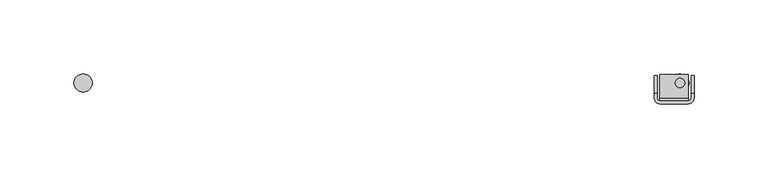
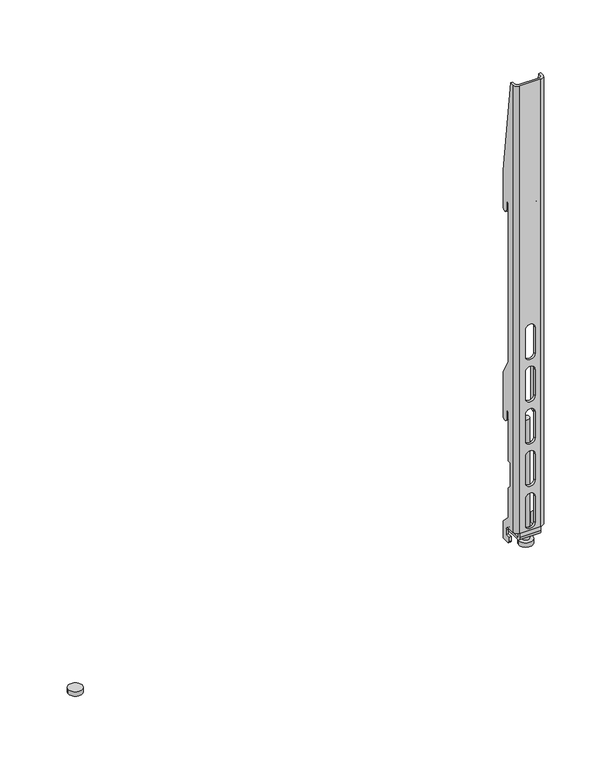
"""IFC4 building model written with IfcOpenShell, lengths in millimetres: furniture geometry."""

from ifc_helpers import new_model, si_unit, point, frame, frame_2d, origin, place, context, project, spatial, polyline, circle_curve, trimmed, segment, composite_curve, outline, extrude, source, transform, mapped, element, save
from ifc_brep_helpers import plane_surface, cylinder_surface, revolved_surface, advanced_brep


def furniture_a8431906(model_context):
    return source(origin(), model_context, "Body", "SolidModel", [
        advanced_brep(
        [(181.8882982, -32.9636356, 1415.6279085), (185.8882902, -36.9636277, 1415.6279085), (204.8882842, -36.9636277, 1415.6279085), (208.8882853, -32.9636266, 1415.6279085), (208.8882853, -29.9636247, 1415.6279085), (206.8882984, -29.9636247, 1415.6279085), (206.8882984, -32.9636266, 1415.6279085), (204.8882978, -34.9636271, 1415.6279085), (185.8882902, -34.9636271, 1415.6279085), (183.8882851, -32.963622, 1415.6279085), (183.8882851, -29.9636247, 1415.6279085), (181.8882982, -29.9636247, 1415.6279085), (206.8882984, -17.9636269, 977.3279177), (208.8882853, -17.9636269, 977.3279177), (208.8882853, -24.9636266, 977.3279177), (206.8882984, -24.9636266, 977.3279177), (181.8882982, -17.9636269, 977.3279177), (183.8882851, -17.9636269, 977.3279177), (183.8882851, -24.9636266, 977.3279177), (181.8882982, -24.9636266, 977.3279177), (181.8882982, -17.9636269, 1325.6279783), (181.8882982, -17.9636269, 1291.4779284), (181.8882982, -23.4636273, 1291.4779284), (181.8882982, -23.4636273, 1299.7278608), (181.8882982, -26.4636259, 1299.7278608), (181.8882982, -26.4636259, 1149.7279041), (181.8882982, -17.9636269, 1135.0055308), (181.8882982, -17.9636269, 1093.4779501), (181.8882982, -23.4636273, 1093.4779501), (181.8882982, -23.4636273, 1101.7279552), (181.8882982, -26.4636259, 1101.7279552), (181.8882982, -26.4636259, 1055.2279593), (181.8882982, -29.4636267, 1055.2279593), (181.8882982, -29.4636267, 1033.1510365), (181.8882982, -26.4636259, 1029.7697004), (181.8882982, -26.4636259, 1001.7278977), (181.8882982, -17.9636269, 993.2278975), (181.8882982, -26.9636272, 979.3279182), (181.8882982, -26.9636272, 983.3279148), (181.8882982, -22.963626, 983.3279148), (181.8882982, -22.963626, 987.8279308), (181.8882982, -26.9636726, 991.8279774), (181.8882982, -32.9636356, 991.8279774), (183.8882851, -17.9636269, 993.2278975), (183.8882851, -17.9636269, 1325.6279783), (183.8882851, -17.9636269, 1291.4779284), (183.8882851, -17.9636269, 1135.0055308), (183.8882851, -17.9636269, 1093.4779501), (183.8882851, -32.963622, 991.8279774), (183.8882851, -26.9636726, 991.8279774), (183.8882851, -22.963626, 987.8279308), (183.8882851, -22.963626, 983.3279148), (183.8882851, -26.9636272, 983.3279148), (183.8882851, -26.9636272, 979.3279182), (183.8882851, -26.4636259, 1001.7278977), (183.8882851, -26.4636259, 1029.7697004), (183.8882851, -29.4636267, 1033.1510365), (183.8882851, -29.4636267, 1055.2279593), (183.8882851, -26.4636259, 1055.2279593), (183.8882851, -26.4636259, 1101.7279552), (183.8882851, -23.4636273, 1101.7279552), (183.8882851, -23.4636273, 1093.4779501), (183.8882851, -26.4636259, 1149.7279041), (183.8882851, -26.4636259, 1299.7278608), (183.8882851, -23.4636273, 1299.7278608), (183.8882851, -23.4636273, 1291.4779284), (185.8882902, -34.9636271, 991.8279774), (204.8882978, -34.9636271, 991.8279774), (191.1382968, -34.9636271, 1182.2279108), (191.1382968, -34.9636271, 1157.4278984), (199.6382867, -34.9636271, 1157.4278984), (199.6382867, -34.9636271, 1182.2279108), (191.1382968, -34.9636271, 1142.2279541), (191.1382968, -34.9636271, 1117.4279417), (199.6382867, -34.9636271, 1117.4279417), (199.6382867, -34.9636271, 1142.2279541), (191.1382968, -34.9636271, 1102.2279247), (191.1382968, -34.9636271, 1077.4279123), (199.6382867, -34.9636271, 1077.4279123), (199.6382867, -34.9636271, 1102.2279247), (191.1382968, -34.9636271, 1062.2278954), (191.1382968, -34.9636271, 1037.427883), (199.6382867, -34.9636271, 1037.427883), (199.6382867, -34.9636271, 1062.2278954), (191.1382968, -34.9636271, 1022.2279387), (191.1382968, -34.9636271, 997.4279263), (199.6382867, -34.9636271, 997.4279263), (199.6382867, -34.9636271, 1022.2279387), (206.8882984, -32.9636266, 991.8279774), (206.8882984, -17.9636269, 1325.6279783), (206.8882984, -17.9636269, 1291.4779284), (206.8882984, -23.4636273, 1291.4779284), (206.8882984, -23.4636273, 1299.7278608), (206.8882984, -26.4636259, 1299.7278608), (206.8882984, -26.4636259, 1149.7279041), (206.8882984, -17.9636269, 1135.0055308), (206.8882984, -17.9636269, 1093.4779501), (206.8882984, -23.4636273, 1093.4779501), (206.8882984, -23.4636273, 1101.7279552), (206.8882984, -26.4636259, 1101.7279552), (206.8882984, -26.4636259, 1055.2279593), (206.8882984, -29.4636267, 1055.2279593), (206.8882984, -29.4636267, 1033.1510365), (206.8882984, -26.4636259, 1029.7697004), (206.8882984, -26.4636259, 1001.7278977), (206.8882984, -17.9636269, 993.2278975), (206.8882984, -26.9636272, 979.3279182), (206.8882984, -26.9636272, 983.3279148), (206.8882984, -22.963626, 983.3279148), (206.8882984, -22.963626, 987.8279308), (206.8882984, -26.9636726, 991.8279774), (208.8882853, -17.9636269, 993.2278975), (208.8882853, -17.9636269, 1325.6279783), (208.8882853, -17.9636269, 1291.4779284), (208.8882853, -17.9636269, 1135.0055308), (208.8882853, -17.9636269, 1093.4779501), (208.8882853, -32.9636266, 991.8279774), (208.8882853, -26.9636726, 991.8279774), (208.8882853, -22.963626, 987.8279308), (208.8882853, -22.963626, 983.3279148), (208.8882853, -26.9636272, 983.3279148), (208.8882853, -26.9636272, 979.3279182), (208.8882853, -26.4636259, 1001.7278977), (208.8882853, -26.4636259, 1029.7697004), (208.8882853, -29.4636267, 1033.1510365), (208.8882853, -29.4636267, 1055.2279593), (208.8882853, -26.4636259, 1055.2279593), (208.8882853, -26.4636259, 1101.7279552), (208.8882853, -23.4636273, 1101.7279552), (208.8882853, -23.4636273, 1093.4779501), (208.8882853, -26.4636259, 1149.7279041), (208.8882853, -26.4636259, 1299.7278608), (208.8882853, -23.4636273, 1299.7278608), (208.8882853, -23.4636273, 1291.4779284), (204.8882842, -36.9636277, 991.8279774), (185.8882902, -36.9636277, 991.8279774), (191.1382968, -36.9636277, 1157.4278984), (191.1382968, -36.9636277, 1182.2279108), (199.6382867, -36.9636277, 1182.2279108), (199.6382867, -36.9636277, 1157.4278984), (191.1382968, -36.9636277, 1117.4279417), (191.1382968, -36.9636277, 1142.2279541), (199.6382867, -36.9636277, 1142.2279541), (199.6382867, -36.9636277, 1117.4279417), (191.1382968, -36.9636277, 1077.4279123), (191.1382968, -36.9636277, 1102.2279247), (199.6382867, -36.9636277, 1102.2279247), (199.6382867, -36.9636277, 1077.4279123), (191.1382968, -36.9636277, 1037.427883), (191.1382968, -36.9636277, 1062.2278954), (199.6382867, -36.9636277, 1062.2278954), (199.6382867, -36.9636277, 1037.427883), (191.1382968, -36.9636277, 997.4279263), (191.1382968, -36.9636277, 1022.2279387), (199.6382867, -36.9636277, 1022.2279387), (199.6382867, -36.9636277, 997.4279263)],
        [
            (0, 1, circle_curve(frame((185.8882902, -32.9636356, 1415.6279085), z_axis=(0.0, 0.0, 1.0), x_axis=(-1.0, 0.0, 0.0)), 3.999992)),
            (1, 2),
            (2, 3, circle_curve(frame((204.8882842, -32.9636266, 1415.6279085), z_axis=(0.0, 0.0, 1.0), x_axis=(-1.0, 0.0, 0.0)), 4.0000011)),
            (3, 4),
            (4, 5),
            (5, 6),
            (6, 7, circle_curve(frame((204.8882978, -32.9636266, 1415.6279085), z_axis=(0.0, 0.0, -1.0), x_axis=(-1.0, 0.0, 0.0)), 2.0000006)),
            (7, 8),
            (8, 9, circle_curve(frame((185.8882902, -32.963622, 1415.6279085), z_axis=(0.0, 0.0, -1.0), x_axis=(-1.0, 0.0, 0.0)), 2.0000051)),
            (9, 10),
            (10, 11),
            (11, 0),
            (12, 13),
            (13, 14),
            (14, 15),
            (15, 12),
            (16, 17),
            (17, 18),
            (18, 19),
            (19, 16),
            (11, 20),
            (20, 21),
            (21, 22, circle_curve(frame((181.8882982, -20.7136271, 1291.4779284), z_axis=(-1.0, 0.0, 0.0), x_axis=(0.0, -1.0, 0.0)), 2.7500002)),
            (22, 23),
            (23, 24),
            (24, 25),
            (25, 26),
            (26, 27),
            (27, 28, circle_curve(frame((181.8882982, -20.7136271, 1093.4779501), z_axis=(-1.0, 0.0, 0.0), x_axis=(0.0, -1.0, 0.0)), 2.7500002)),
            (28, 29),
            (29, 30),
            (30, 31),
            (31, 32),
            (32, 33),
            (33, 34),
            (34, 35),
            (35, 36),
            (36, 16),
            (19, 37, circle_curve(frame((181.8882982, -24.9636266, 979.3279182), z_axis=(-1.0, 0.0, 0.0), x_axis=(0.0, -1.0, 0.0)), 2.0000006)),
            (37, 38),
            (38, 39),
            (39, 40),
            (40, 41, circle_curve(frame((181.8882982, -26.9636726, 987.8279308), z_axis=(1.0, 0.0, 0.0), x_axis=(0.0, -1.0, 0.0)), 4.0000465)),
            (41, 42),
            (42, 0),
            (36, 43),
            (43, 17),
            (20, 44),
            (44, 45),
            (45, 21),
            (26, 46),
            (46, 47),
            (47, 27),
            (9, 48),
            (48, 49),
            (49, 50, circle_curve(frame((183.8882851, -26.9636726, 987.8279308), z_axis=(-1.0, 0.0, 0.0), x_axis=(0.0, -1.0, 0.0)), 4.0000465)),
            (50, 51),
            (51, 52),
            (52, 53),
            (53, 18, circle_curve(frame((183.8882851, -24.9636266, 979.3279182), z_axis=(1.0, 0.0, 0.0), x_axis=(0.0, -1.0, 0.0)), 2.0000006)),
            (43, 54),
            (54, 55),
            (55, 56),
            (56, 57),
            (57, 58),
            (58, 59),
            (59, 60),
            (60, 61),
            (61, 47, circle_curve(frame((183.8882851, -20.7136271, 1093.4779501), z_axis=(1.0, 0.0, 0.0), x_axis=(0.0, -1.0, 0.0)), 2.7500002)),
            (46, 62),
            (62, 63),
            (63, 64),
            (64, 65),
            (65, 45, circle_curve(frame((183.8882851, -20.7136271, 1291.4779284), z_axis=(1.0, 0.0, 0.0), x_axis=(0.0, -1.0, 0.0)), 2.7500002)),
            (44, 10),
            (8, 66),
            (66, 48, circle_curve(frame((185.8882902, -32.963622, 991.8279774), z_axis=(0.0, 0.0, -1.0), x_axis=(-1.0, 0.0, 0.0)), 2.0000051)),
            (7, 67),
            (67, 66),
            (68, 69),
            (69, 70, circle_curve(frame((195.3882917, -34.9636271, 1157.4278984), z_axis=(0.0, -1.0, 0.0), x_axis=(-1.0, 0.0, 0.0)), 4.2499949)),
            (70, 71),
            (71, 68, circle_curve(frame((195.3882917, -34.9636271, 1182.2279108), z_axis=(0.0, -1.0, 0.0), x_axis=(-1.0, 0.0, 0.0)), 4.2499949)),
            (72, 73),
            (73, 74, circle_curve(frame((195.3882917, -34.9636271, 1117.4279417), z_axis=(0.0, -1.0, 0.0), x_axis=(-1.0, 0.0, 0.0)), 4.2499949)),
            (74, 75),
            (75, 72, circle_curve(frame((195.3882917, -34.9636271, 1142.2279541), z_axis=(0.0, -1.0, 0.0), x_axis=(-1.0, 0.0, 0.0)), 4.2499949)),
            (76, 77),
            (77, 78, circle_curve(frame((195.3882917, -34.9636271, 1077.4279123), z_axis=(0.0, -1.0, 0.0), x_axis=(-1.0, 0.0, 0.0)), 4.2499949)),
            (78, 79),
            (79, 76, circle_curve(frame((195.3882917, -34.9636271, 1102.2279247), z_axis=(0.0, -1.0, 0.0), x_axis=(-1.0, 0.0, 0.0)), 4.2499949)),
            (80, 81),
            (81, 82, circle_curve(frame((195.3882917, -34.9636271, 1037.427883), z_axis=(0.0, -1.0, 0.0), x_axis=(-1.0, 0.0, 0.0)), 4.2499949)),
            (82, 83),
            (83, 80, circle_curve(frame((195.3882917, -34.9636271, 1062.2278954), z_axis=(0.0, -1.0, 0.0), x_axis=(-1.0, 0.0, 0.0)), 4.2499949)),
            (84, 85),
            (85, 86, circle_curve(frame((195.3882917, -34.9636271, 997.4279263), z_axis=(0.0, -1.0, 0.0), x_axis=(-1.0, 0.0, 0.0)), 4.2499949)),
            (86, 87),
            (87, 84, circle_curve(frame((195.3882917, -34.9636271, 1022.2279387), z_axis=(0.0, -1.0, 0.0), x_axis=(-1.0, 0.0, 0.0)), 4.2499949)),
            (6, 88),
            (88, 67, circle_curve(frame((204.8882978, -32.9636266, 991.8279774), z_axis=(0.0, 0.0, -1.0), x_axis=(-1.0, 0.0, 0.0)), 2.0000006)),
            (5, 89),
            (89, 90),
            (90, 91, circle_curve(frame((206.8882984, -20.7136271, 1291.4779284), z_axis=(-1.0, 0.0, 0.0), x_axis=(0.0, -1.0, 0.0)), 2.7500002)),
            (91, 92),
            (92, 93),
            (93, 94),
            (94, 95),
            (95, 96),
            (96, 97, circle_curve(frame((206.8882984, -20.7136271, 1093.4779501), z_axis=(-1.0, 0.0, 0.0), x_axis=(0.0, -1.0, 0.0)), 2.7500002)),
            (97, 98),
            (98, 99),
            (99, 100),
            (100, 101),
            (101, 102),
            (102, 103),
            (103, 104),
            (104, 105),
            (105, 12),
            (15, 106, circle_curve(frame((206.8882984, -24.9636266, 979.3279182), z_axis=(-1.0, 0.0, 0.0), x_axis=(0.0, -1.0, 0.0)), 2.0000006)),
            (106, 107),
            (107, 108),
            (108, 109),
            (109, 110, circle_curve(frame((206.8882984, -26.9636726, 987.8279308), z_axis=(1.0, 0.0, 0.0), x_axis=(0.0, -1.0, 0.0)), 4.0000465)),
            (110, 88),
            (105, 111),
            (111, 13),
            (89, 112),
            (112, 113),
            (113, 90),
            (95, 114),
            (114, 115),
            (115, 96),
            (3, 116),
            (116, 117),
            (117, 118, circle_curve(frame((208.8882853, -26.9636726, 987.8279308), z_axis=(-1.0, 0.0, 0.0), x_axis=(0.0, -1.0, 0.0)), 4.0000465)),
            (118, 119),
            (119, 120),
            (120, 121),
            (121, 14, circle_curve(frame((208.8882853, -24.9636266, 979.3279182), z_axis=(1.0, 0.0, 0.0), x_axis=(0.0, -1.0, 0.0)), 2.0000006)),
            (111, 122),
            (122, 123),
            (123, 124),
            (124, 125),
            (125, 126),
            (126, 127),
            (127, 128),
            (128, 129),
            (129, 115, circle_curve(frame((208.8882853, -20.7136271, 1093.4779501), z_axis=(1.0, 0.0, 0.0), x_axis=(0.0, -1.0, 0.0)), 2.7500002)),
            (114, 130),
            (130, 131),
            (131, 132),
            (132, 133),
            (133, 113, circle_curve(frame((208.8882853, -20.7136271, 1291.4779284), z_axis=(1.0, 0.0, 0.0), x_axis=(0.0, -1.0, 0.0)), 2.7500002)),
            (112, 4),
            (2, 134),
            (134, 116, circle_curve(frame((204.8882842, -32.9636266, 991.8279774), z_axis=(0.0, 0.0, 1.0), x_axis=(-1.0, 0.0, 0.0)), 4.0000011)),
            (1, 135),
            (135, 134),
            (136, 137),
            (137, 138, circle_curve(frame((195.3882917, -36.9636277, 1182.2279108), z_axis=(0.0, 1.0, 0.0), x_axis=(-1.0, 0.0, 0.0)), 4.2499949)),
            (138, 139),
            (139, 136, circle_curve(frame((195.3882917, -36.9636277, 1157.4278984), z_axis=(0.0, 1.0, 0.0), x_axis=(-1.0, 0.0, 0.0)), 4.2499949)),
            (140, 141),
            (141, 142, circle_curve(frame((195.3882917, -36.9636277, 1142.2279541), z_axis=(0.0, 1.0, 0.0), x_axis=(-1.0, 0.0, 0.0)), 4.2499949)),
            (142, 143),
            (143, 140, circle_curve(frame((195.3882917, -36.9636277, 1117.4279417), z_axis=(0.0, 1.0, 0.0), x_axis=(-1.0, 0.0, 0.0)), 4.2499949)),
            (144, 145),
            (145, 146, circle_curve(frame((195.3882917, -36.9636277, 1102.2279247), z_axis=(0.0, 1.0, 0.0), x_axis=(-1.0, 0.0, 0.0)), 4.2499949)),
            (146, 147),
            (147, 144, circle_curve(frame((195.3882917, -36.9636277, 1077.4279123), z_axis=(0.0, 1.0, 0.0), x_axis=(-1.0, 0.0, 0.0)), 4.2499949)),
            (148, 149),
            (149, 150, circle_curve(frame((195.3882917, -36.9636277, 1062.2278954), z_axis=(0.0, 1.0, 0.0), x_axis=(-1.0, 0.0, 0.0)), 4.2499949)),
            (150, 151),
            (151, 148, circle_curve(frame((195.3882917, -36.9636277, 1037.427883), z_axis=(0.0, 1.0, 0.0), x_axis=(-1.0, 0.0, 0.0)), 4.2499949)),
            (152, 153),
            (153, 154, circle_curve(frame((195.3882917, -36.9636277, 1022.2279387), z_axis=(0.0, 1.0, 0.0), x_axis=(-1.0, 0.0, 0.0)), 4.2499949)),
            (154, 155),
            (155, 152, circle_curve(frame((195.3882917, -36.9636277, 997.4279263), z_axis=(0.0, 1.0, 0.0), x_axis=(-1.0, 0.0, 0.0)), 4.2499949)),
            (42, 135, circle_curve(frame((185.8882902, -32.9636356, 991.8279774), z_axis=(0.0, 0.0, 1.0), x_axis=(-1.0, 0.0, 0.0)), 3.999992)),
            (68, 137),
            (136, 69),
            (71, 138),
            (70, 139),
            (72, 141),
            (140, 73),
            (75, 142),
            (74, 143),
            (76, 145),
            (144, 77),
            (79, 146),
            (78, 147),
            (80, 149),
            (148, 81),
            (83, 150),
            (82, 151),
            (84, 153),
            (152, 85),
            (87, 154),
            (86, 155),
            (24, 63),
            (62, 25),
            (93, 131),
            (130, 94),
            (65, 22),
            (133, 91),
            (64, 23),
            (132, 92),
            (30, 59),
            (58, 31),
            (99, 127),
            (126, 100),
            (57, 32),
            (125, 101),
            (56, 33),
            (124, 102),
            (55, 34),
            (123, 103),
            (54, 35),
            (122, 104),
            (61, 28),
            (129, 97),
            (60, 29),
            (128, 98),
            (41, 49),
            (110, 117),
            (53, 37),
            (121, 106),
            (52, 38),
            (120, 107),
            (51, 39),
            (119, 108),
            (50, 40),
            (118, 109),
        ],
        [
            plane_surface(frame((181.8882982, -32.9636356, 1415.6279085), z_axis=(0.0, 0.0, 1.0), x_axis=(0.0, -1.0, 0.0))),
            plane_surface(frame((181.8882982, -32.9636356, 977.3279177), z_axis=(0.0, 0.0, -1.0), x_axis=(0.0, 1.0, 0.0))),
            plane_surface(frame((181.8882982, -17.9636269, 1415.6279085), z_axis=(-1.0, 0.0, 0.0), x_axis=(0.0, 0.0, -1.0))),
            plane_surface(frame((183.8882851, -17.9636269, 1415.6279085), z_axis=(0.0, 1.0, 0.0), x_axis=(0.0, 0.0, -1.0))),
            plane_surface(frame((183.8882851, -32.963622, 1415.6279085), z_axis=(1.0, 0.0, 0.0), x_axis=(0.0, 0.0, -1.0))),
            revolved_surface(polyline([(183.8882851, -32.963622, 991.8279774), (183.8882851, -32.963622, 1415.6279085)]), (185.8882902, -32.963622, 977.3279177), (0.0, 0.0, -1.0)),
            plane_surface(frame((204.8882978, -34.9636271, 1415.6279085), z_axis=(0.0, 1.0, 0.0), x_axis=(0.0, 0.0, -1.0))),
            revolved_surface(polyline([(202.8882972, -32.9636266, 991.8279774), (202.8882972, -32.9636266, 1415.6279085)]), (204.8882978, -32.9636266, 977.3279177), (0.0, 0.0, -1.0)),
            plane_surface(frame((206.8882984, -17.9636269, 1415.6279085), z_axis=(-1.0, 0.0, 0.0), x_axis=(0.0, 0.0, -1.0))),
            plane_surface(frame((208.8882853, -17.9636269, 1415.6279085), z_axis=(0.0, 1.0, 0.0), x_axis=(0.0, 0.0, -1.0))),
            plane_surface(frame((208.8882853, -32.9636266, 1415.6279085), z_axis=(1.0, 0.0, 0.0), x_axis=(0.0, 0.0, -1.0))),
            cylinder_surface(frame((204.8882842, -32.9636266, 977.3279177), z_axis=(0.0, 0.0, 1.0), x_axis=(-1.0, 0.0, 0.0)), 4.0000011),
            plane_surface(frame((185.8882902, -36.9636277, 1415.6279085), z_axis=(0.0, -1.0, 0.0), x_axis=(0.0, 0.0, -1.0))),
            cylinder_surface(frame((185.8882902, -32.9636356, 977.3279177), z_axis=(0.0, 0.0, 1.0), x_axis=(-1.0, 0.0, 0.0)), 3.999992),
            plane_surface(frame((191.1382968, -43.4479611, 1182.2279108), z_axis=(1.0, 0.0, 0.0), x_axis=(0.0, 1.0, 0.0))),
            revolved_surface(polyline([(191.1382968, -36.9636277, 1182.2279108), (191.1382968, -34.9636271, 1182.2279108)]), (195.3882917, -32.0423365, 1182.2279108), (0.0, -1.0, 0.0)),
            plane_surface(frame((199.6382867, -43.4479611, 1157.4278984), z_axis=(-1.0, 0.0, 0.0), x_axis=(0.0, 1.0, 0.0))),
            revolved_surface(polyline([(191.1382968, -36.9636277, 1157.4278984), (191.1382968, -34.9636271, 1157.4278984)]), (195.3882917, -32.0423365, 1157.4278984), (0.0, -1.0, 0.0)),
            plane_surface(frame((191.1382968, -43.4479611, 1142.2279541), z_axis=(1.0, 0.0, 0.0), x_axis=(0.0, 1.0, 0.0))),
            revolved_surface(polyline([(191.1382968, -36.9636277, 1142.2279541), (191.1382968, -34.9636271, 1142.2279541)]), (195.3882917, 0.0, 1142.2279541), (0.0, -1.0, 0.0)),
            plane_surface(frame((199.6382867, -43.4479611, 1117.4279417), z_axis=(-1.0, 0.0, 0.0), x_axis=(0.0, 1.0, 0.0))),
            revolved_surface(polyline([(191.1382968, -36.9636277, 1117.4279417), (191.1382968, -34.9636271, 1117.4279417)]), (195.3882917, 0.0, 1117.4279417), (0.0, -1.0, 0.0)),
            plane_surface(frame((191.1382968, -43.4479611, 1102.2279247), z_axis=(1.0, 0.0, 0.0), x_axis=(0.0, 1.0, 0.0))),
            revolved_surface(polyline([(191.1382968, -36.9636277, 1102.2279247), (191.1382968, -34.9636271, 1102.2279247)]), (195.3882917, 0.0, 1102.2279247), (0.0, -1.0, 0.0)),
            plane_surface(frame((199.6382867, -43.4479611, 1077.4279123), z_axis=(-1.0, 0.0, 0.0), x_axis=(0.0, 1.0, 0.0))),
            revolved_surface(polyline([(191.1382968, -36.9636277, 1077.4279123), (191.1382968, -34.9636271, 1077.4279123)]), (195.3882917, 0.0, 1077.4279123), (0.0, -1.0, 0.0)),
            plane_surface(frame((191.1382968, -43.4479611, 1062.2278954), z_axis=(1.0, 0.0, 0.0), x_axis=(0.0, 1.0, 0.0))),
            revolved_surface(polyline([(191.1382968, -36.9636277, 1062.2278954), (191.1382968, -34.9636271, 1062.2278954)]), (195.3882917, 0.0, 1062.2278954), (0.0, -1.0, 0.0)),
            plane_surface(frame((199.6382867, -43.4479611, 1037.427883), z_axis=(-1.0, 0.0, 0.0), x_axis=(0.0, 1.0, 0.0))),
            revolved_surface(polyline([(191.1382968, -36.9636277, 1037.427883), (191.1382968, -34.9636271, 1037.427883)]), (195.3882917, 0.0, 1037.427883), (0.0, -1.0, 0.0)),
            plane_surface(frame((191.1382968, -43.4479611, 1022.2279387), z_axis=(1.0, 0.0, 0.0), x_axis=(0.0, 1.0, 0.0))),
            revolved_surface(polyline([(191.1382968, -36.9636277, 1022.2279387), (191.1382968, -34.9636271, 1022.2279387)]), (195.3882917, 0.0, 1022.2279387), (0.0, -1.0, 0.0)),
            plane_surface(frame((199.6382867, -43.4479611, 997.4279263), z_axis=(-1.0, 0.0, 0.0), x_axis=(0.0, 1.0, 0.0))),
            revolved_surface(polyline([(191.1382968, -36.9636277, 997.4279263), (191.1382968, -34.9636271, 997.4279263)]), (195.3882917, 0.0, 997.4279263), (0.0, -1.0, 0.0)),
            plane_surface(frame((226.6458366, -29.9636247, 1415.6279085), z_axis=(0.0, 0.9912278903845622, 0.13216379732653882), x_axis=(-1.0, 0.0, 0.0))),
            plane_surface(frame((226.6458366, -26.4636259, 1299.7278608), z_axis=(0.0, 1.0, 0.0), x_axis=(-1.0, 0.0, 0.0))),
            plane_surface(frame((226.6458366, -26.4636259, 1149.7279041), z_axis=(0.0, 0.8660245695453659, 0.5000014449416761), x_axis=(-1.0, 0.0, 0.0))),
            cylinder_surface(frame((0.0, -20.7136271, 1291.4779284), z_axis=(-1.0, 0.0, 0.0), x_axis=(0.0, -1.0, 0.0)), 2.7500002),
            plane_surface(frame((226.6458366, -23.4636273, 1291.4779284), z_axis=(0.0, -1.0, 0.0), x_axis=(-1.0, 0.0, 0.0))),
            plane_surface(frame((226.6458366, -23.4636273, 1299.7278608), z_axis=(0.0, 0.0, -1.0), x_axis=(-1.0, 0.0, 0.0))),
            plane_surface(frame((226.6458366, -26.4636259, 1101.7279552), z_axis=(0.0, 1.0, 0.0), x_axis=(-1.0, 0.0, 0.0))),
            plane_surface(frame((226.6458366, -26.4636259, 1055.2279593), z_axis=(0.0, 0.0, -1.0), x_axis=(-1.0, 0.0, 0.0))),
            plane_surface(frame((226.6458366, -29.4636267, 1055.2279593), z_axis=(0.0, 1.0, 0.0), x_axis=(-1.0, 0.0, 0.0))),
            plane_surface(frame((226.6458366, -29.4636267, 1033.1510365), z_axis=(0.0, 0.7480275709207617, 0.6636676526262109), x_axis=(-1.0, 0.0, 0.0))),
            plane_surface(frame((226.6458366, -26.4636259, 1029.7697004), z_axis=(0.0, 1.0, 0.0), x_axis=(-1.0, 0.0, 0.0))),
            plane_surface(frame((226.6458366, -26.4636259, 1001.7278977), z_axis=(0.0, 0.7071068328679035, 0.7071067295051878), x_axis=(-1.0, 0.0, 0.0))),
            cylinder_surface(frame((0.0, -20.7136271, 1093.4779501), z_axis=(-1.0, 0.0, 0.0), x_axis=(0.0, -1.0, 0.0)), 2.7500002),
            plane_surface(frame((226.6458366, -23.4636273, 1093.4779501), z_axis=(0.0, -1.0, 0.0), x_axis=(-1.0, 0.0, 0.0))),
            plane_surface(frame((226.6458366, -23.4636273, 1101.7279552), z_axis=(0.0, 0.0, -1.0), x_axis=(-1.0, 0.0, 0.0))),
            plane_surface(frame((226.6458366, -26.9636726, 991.8279774), z_axis=(0.0, 0.0, -1.0), x_axis=(-1.0, 0.0, 0.0))),
            cylinder_surface(frame((0.0, -24.9636266, 979.3279182), z_axis=(-1.0, 0.0, 0.0), x_axis=(0.0, -1.0, 0.0)), 2.0000006),
            plane_surface(frame((226.6458366, -26.9636272, 979.3279182), z_axis=(0.0, -1.0, 0.0), x_axis=(-1.0, 0.0, 0.0))),
            plane_surface(frame((226.6458366, -26.9636272, 983.3279148), z_axis=(0.0, 0.0, 1.0), x_axis=(-1.0, 0.0, 0.0))),
            plane_surface(frame((226.6458366, -22.963626, 983.3279148), z_axis=(0.0, -1.0, 0.0), x_axis=(-1.0, 0.0, 0.0))),
            revolved_surface(polyline([(183.8882851, -30.9637191, 987.8279308), (181.8882982, -30.9637191, 987.8279308)]), (0.0, -26.9636726, 987.8279308), (1.0, 0.0, 0.0)),
            revolved_surface(polyline([(208.8882853, -30.9637191, 987.8279308), (206.8882984, -30.9637191, 987.8279308)]), (0.0, -26.9636726, 987.8279308), (1.0, 0.0, 0.0)),
        ],
        [
            (0, [[1, 2, 3, 4, 5, 6, 7, 8, 9, 10, 11, 12]]),
            (1, [[13, 14, 15, 16]]),
            (1, [[17, 18, 19, 20]]),
            (2, [[-12, 21, 22, 23, 24, 25, 26, 27, 28, 29, 30, 31, 32, 33, 34, 35, 36, 37, 38, -20, 39, 40, 41, 42, 43, 44, 45]]),
            (3, [[-17, -38, 46, 47]]),
            (3, [[-22, 48, 49, 50]]),
            (3, [[-28, 51, 52, 53]]),
            (4, [[-10, 54, 55, 56, 57, 58, 59, 60, -18, -47, 61, 62, 63, 64, 65, 66, 67, 68, 69, -52, 70, 71, 72, 73, 74, -49, 75]]),
            (5, [[-9, 76, 77, -54]]),
            (6, [[-8, 78, 79, -76], [80, 81, 82, 83], [84, 85, 86, 87], [88, 89, 90, 91], [92, 93, 94, 95], [96, 97, 98, 99]]),
            (7, [[-7, 100, 101, -78]]),
            (8, [[-6, 102, 103, 104, 105, 106, 107, 108, 109, 110, 111, 112, 113, 114, 115, 116, 117, 118, 119, -16, 120, 121, 122, 123, 124, 125, -100]]),
            (9, [[-13, -119, 126, 127]]),
            (9, [[-103, 128, 129, 130]]),
            (9, [[-109, 131, 132, 133]]),
            (10, [[-4, 134, 135, 136, 137, 138, 139, 140, -14, -127, 141, 142, 143, 144, 145, 146, 147, 148, 149, -132, 150, 151, 152, 153, 154, -129, 155]]),
            (11, [[-3, 156, 157, -134]]),
            (12, [[-2, 158, 159, -156], [160, 161, 162, 163], [164, 165, 166, 167], [168, 169, 170, 171], [172, 173, 174, 175], [176, 177, 178, 179]]),
            (13, [[-1, -45, 180, -158]]),
            (14, [[181, -160, 182, -80]]),
            (15, [[-181, -83, 183, -161]]),
            (16, [[-183, -82, 184, -162]]),
            (17, [[-184, -81, -182, -163]]),
            (18, [[185, -164, 186, -84]]),
            (19, [[-185, -87, 187, -165]]),
            (20, [[-187, -86, 188, -166]]),
            (21, [[-188, -85, -186, -167]]),
            (22, [[189, -168, 190, -88]]),
            (23, [[-189, -91, 191, -169]]),
            (24, [[-191, -90, 192, -170]]),
            (25, [[-192, -89, -190, -171]]),
            (26, [[193, -172, 194, -92]]),
            (27, [[-193, -95, 195, -173]]),
            (28, [[-195, -94, 196, -174]]),
            (29, [[-196, -93, -194, -175]]),
            (30, [[197, -176, 198, -96]]),
            (31, [[-197, -99, 199, -177]]),
            (32, [[-199, -98, 200, -178]]),
            (33, [[-200, -97, -198, -179]]),
            (34, [[-5, -155, -128, -102]]),
            (34, [[-11, -75, -48, -21]]),
            (35, [[201, -71, 202, -26]]),
            (35, [[203, -151, 204, -107]]),
            (36, [[-202, -70, -51, -27]]),
            (36, [[-204, -150, -131, -108]]),
            (37, [[205, -23, -50, -74]]),
            (37, [[206, -104, -130, -154]]),
            (38, [[-205, -73, 207, -24]]),
            (38, [[-206, -153, 208, -105]]),
            (39, [[-201, -25, -207, -72]]),
            (39, [[-203, -106, -208, -152]]),
            (40, [[209, -66, 210, -32]]),
            (40, [[211, -146, 212, -113]]),
            (41, [[-210, -65, 213, -33]]),
            (41, [[-212, -145, 214, -114]]),
            (42, [[-213, -64, 215, -34]]),
            (42, [[-214, -144, 216, -115]]),
            (43, [[-215, -63, 217, -35]]),
            (43, [[-216, -143, 218, -116]]),
            (44, [[-217, -62, 219, -36]]),
            (44, [[-218, -142, 220, -117]]),
            (45, [[-219, -61, -46, -37]]),
            (45, [[-220, -141, -126, -118]]),
            (46, [[221, -29, -53, -69]]),
            (46, [[222, -110, -133, -149]]),
            (47, [[-221, -68, 223, -30]]),
            (47, [[-222, -148, 224, -111]]),
            (48, [[-209, -31, -223, -67]]),
            (48, [[-211, -112, -224, -147]]),
            (49, [[225, -55, -77, -79, -101, -125, 226, -135, -157, -159, -180, -44]]),
            (50, [[227, -39, -19, -60]]),
            (50, [[228, -120, -15, -140]]),
            (51, [[-227, -59, 229, -40]]),
            (51, [[-228, -139, 230, -121]]),
            (52, [[-229, -58, 231, -41]]),
            (52, [[-230, -138, 232, -122]]),
            (53, [[-231, -57, 233, -42]]),
            (53, [[-232, -137, 234, -123]]),
            (54, [[-225, -43, -233, -56]]),
            (55, [[-226, -124, -234, -136]]),
        ],
    ),
        extrude(outline(composite_curve([segment(polyline([(-36.9636277, 991.8279774), (-34.9636271, 991.8279774), (-34.9636271, 987.8279081)]), True, "CONTINUOUS"), segment(trimmed(circle_curve(frame_2d((-32.9636266, 987.8279081)), 2.0000006), [point((-34.9636271, 987.8279081))], [point((-32.9636266, 985.8279076))], True, "CARTESIAN"), True, "CONTINUOUS"), segment(polyline([(-32.9636266, 985.8279076), (-16.9636278, 985.8279076), (-16.9636278, 983.827957), (-32.9636266, 983.827957)]), True, "CONTINUOUS"), segment(trimmed(circle_curve(frame_2d((-32.9636266, 987.8279581)), 4.0000011), [point((-32.9636266, 983.827957))], [point((-36.9636277, 987.8279581))], False, "CARTESIAN"), True, "CONTINUOUS"), segment(polyline([(-36.9636277, 987.8279581), (-36.9636277, 991.8279774)]), True, "CONTINUOUS")], self_intersect=False)), frame((185.8882902, 0.0, 0.0), z_axis=(1.0, 0.0, 0.0), x_axis=(0.0, 1.0, 0.0)), (0.0, 0.0, 1.0), 19.0000031),
        extrude(outline(composite_curve([segment(trimmed(circle_curve(frame_2d((199.3882838, -22.8036272)), 6.1585259), [point((205.5468096, -22.8036272))], [point((193.2297579, -22.8036272))], False, "CARTESIAN"), True, "CONTINUOUS"), segment(trimmed(circle_curve(frame_2d((199.3882838, -22.8036272)), 6.1585259), [point((193.2297579, -22.8036272))], [point((205.5468096, -22.8036272))], False, "CARTESIAN"), True, "CONTINUOUS")], self_intersect=False)), frame((0.0, 0.0, 969.5809341), z_axis=(0.0, 0.0, 1.0), x_axis=(1.0, 0.0, 0.0)), (0.0, 0.0, 1.0), 4.2469791),
        extrude(outline(composite_curve([segment(trimmed(circle_curve(frame_2d((199.3882838, -22.8036272)), 3.1749879), [point((202.5632717, -22.8036272))], [point((196.2132959, -22.8036272))], False, "CARTESIAN"), True, "CONTINUOUS"), segment(trimmed(circle_curve(frame_2d((199.3882838, -22.8036272)), 3.1749879), [point((196.2132959, -22.8036272))], [point((202.5632717, -22.8036272))], False, "CARTESIAN"), True, "CONTINUOUS")], self_intersect=False)), frame((0.0, 0.0, 973.8279133), z_axis=(0.0, 0.0, 1.0), x_axis=(1.0, 0.0, 0.0)), (0.0, 0.0, 1.0), 114.3),
        extrude(outline(composite_curve([segment(trimmed(circle_curve(frame_2d((-203.9240716, -22.8036272)), 6.1585259), [point((-210.0825975, -22.8036272))], [point((-197.7655457, -22.8036272))], False, "CARTESIAN"), True, "CONTINUOUS"), segment(trimmed(circle_curve(frame_2d((-203.9240716, -22.8036272)), 6.1585259), [point((-197.7655457, -22.8036272))], [point((-210.0825975, -22.8036272))], False, "CARTESIAN"), True, "CONTINUOUS")], self_intersect=False)), frame((0.0, 0.0, 969.5809341), z_axis=(0.0, 0.0, 1.0), x_axis=(1.0, 0.0, 0.0)), (0.0, 0.0, 1.0), 4.2469791),
    ])


if __name__ == "__main__":
    model = new_model("IFC4")
    model_context = context("Model", 3, world=origin())
    ifc_project = project(units=[si_unit("LENGTHUNIT", "METRE", prefix="MILLI")], contexts=[model_context])
    site = spatial("IfcSite", under=ifc_project)
    building = spatial("IfcBuilding", under=site)
    placement = place(None, origin())
    furniture_shape = furniture_a8431906(model_context)
    element("IfcFurniture", 1, at=placement, inside=building, context=model_context, shape_type="MappedRepresentation", body=[
        mapped(furniture_shape, transform((0.0, 0.0, 0.0), x_axis=(1.0, 0.0, 0.0), y_axis=(0.0, 1.0, 0.0), z_axis=(0.0, 0.0, 1.0))),
    ])
    save(model, "model.ifc")
